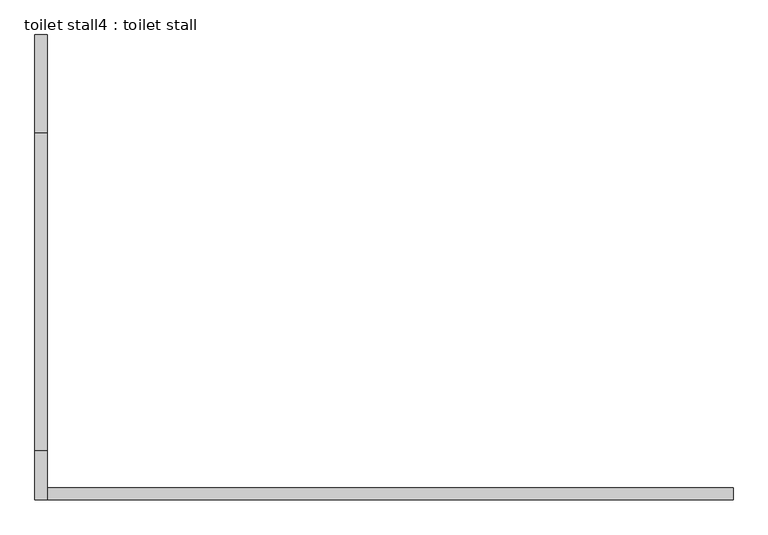
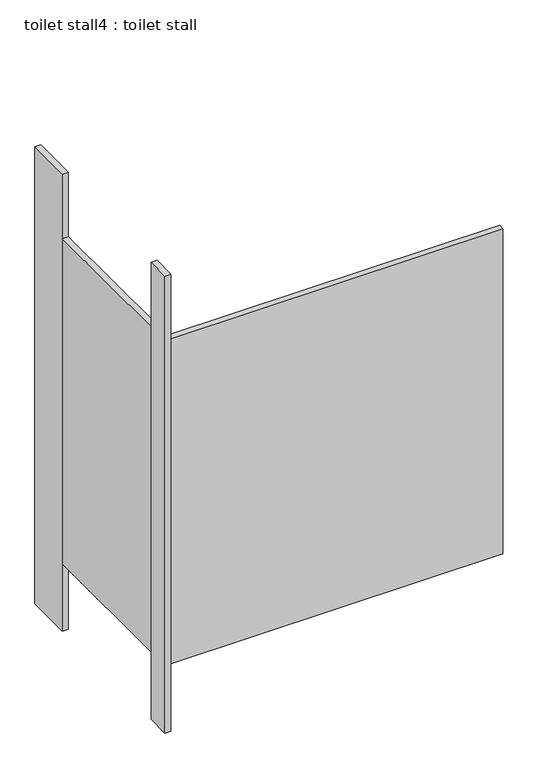
"""IFC4 building model written with IfcOpenShell, lengths in millimetres: proxy geometry, toilet stall4 : toilet stall."""

from ifc_helpers import new_model, si_unit, frame, origin, origin_with_axes, place, context, project, spatial, polyline, outline, extrude, source, transform, mapped, element, save


def toilet_stall4_toilet_stall_4507e8f2(model_context):
    return source(origin(), model_context, "Body", "SweptSolid", [
        extrude(outline(polyline([(454658.2004676, -341838.7705223), (454632.8004676, -341838.7705223), (454632.8004676, -341635.5705223), (454658.2004676, -341635.5705223), (454658.2004676, -341838.7705223)])), origin_with_axes(), (0.0, 0.0, 1.0), 2070.1),
        extrude(outline(polyline([(454658.2004676, -342600.7705223), (454632.8004676, -342600.7705223), (454632.8004676, -342499.1705223), (454658.2004676, -342499.1705223), (454658.2004676, -342600.7705223)])), origin_with_axes(), (0.0, 0.0, 1.0), 2070.1),
        extrude(outline(polyline([(454658.2004676, -342600.7705223), (454658.2004676, -342575.3705223), (456080.6004676, -342575.3705223), (456080.6004676, -342600.7705223), (454658.2004676, -342600.7705223)])), frame((0.0, 0.0, 304.8), z_axis=(0.0, 0.0, 1.0), x_axis=(1.0, 0.0, 0.0)), (0.0, 0.0, 1.0), 1473.2),
        extrude(outline(polyline([(454658.2004676, -342499.1705223), (454632.8004676, -342499.1705223), (454632.8004676, -341838.7705223), (454658.2004676, -341838.7705223), (454658.2004676, -342499.1705223)])), frame((0.0, 0.0, 304.8), z_axis=(0.0, 0.0, 1.0), x_axis=(1.0, 0.0, 0.0)), (0.0, 0.0, 1.0), 1473.2),
    ])


if __name__ == "__main__":
    model = new_model("IFC4")
    model_context = context("Model", 3, world=origin())
    ifc_project = project(units=[si_unit("LENGTHUNIT", "METRE", prefix="MILLI")], contexts=[model_context])
    site = spatial("IfcSite", under=ifc_project)
    building = spatial("IfcBuilding", under=site)
    placement = place(None, origin())
    toilet_stall4_toilet_stall_shape = toilet_stall4_toilet_stall_4507e8f2(model_context)
    element("IfcBuildingElementProxy", 1, Name="toilet stall4 : toilet stall", ObjectType="toilet stall4 : toilet stall", at=placement, inside=building, context=model_context, shape_type="MappedRepresentation", body=[
        mapped(toilet_stall4_toilet_stall_shape, transform((0.0, 0.0, 0.0), x_axis=(1.0, 0.0, 0.0), y_axis=(0.0, 1.0, 0.0), z_axis=(0.0, 0.0, 1.0))),
    ])
    save(model, "model.ifc")
